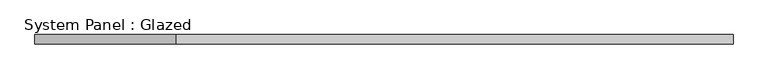
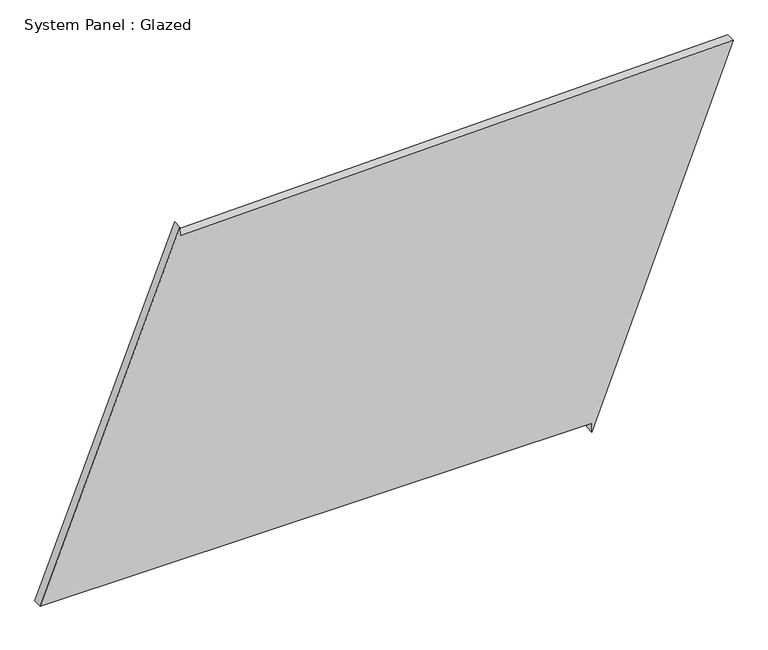
"""IFC4 building model written with IfcOpenShell, lengths in millimetres: plate geometry, System Panel : Glazed."""

import ifcopenshell
import ifcopenshell.guid

model = None  # the IFC model being written
_history = None  # IfcOwnerHistory: only IFC2X3 demands one
_inside = {}  # id of a spatial element -> (the spatial element, [elements in it])
_under = {}  # id of a project, library or spatial element -> (it, [spatial elements below it])
_declared = {}  # id of a project -> (the project, [libraries it declares])
_typed = {}  # id of a type object -> (the type object, [elements of that type])
_made_of = {}  # id of a material, layer set ... -> (it, [elements and type objects made of it])


def new_model(schema):
    """Start an empty IFC model of exactly this schema.

    Asked for "IFC4X3", IfcOpenShell would pick the latest addendum, in which some entities
    have other attributes; the version numbers below select the first issue.
    IFC2X3 requires an IfcOwnerHistory on every rooted entity: one is made here for all.
    """
    global model, _history
    if schema == "IFC4X3":
        model = ifcopenshell.file(schema_version=(4, 3, 0, 0))
    else:
        model = ifcopenshell.file(schema=schema)
    _inside.clear()
    _under.clear()
    _declared.clear()
    _typed.clear()
    _made_of.clear()
    _history = None
    if model.schema == "IFC2X3":
        org = make("IfcOrganization", Name="unknown")
        user = make(
            "IfcPersonAndOrganization",
            ThePerson=make("IfcPerson", FamilyName="unknown"),
            TheOrganization=org,
        )
        app = make(
            "IfcApplication",
            ApplicationDeveloper=org,
            Version="unknown",
            ApplicationFullName="unknown",
            ApplicationIdentifier="unknown",
        )
        _history = make(
            "IfcOwnerHistory",
            OwningUser=user,
            OwningApplication=app,
            ChangeAction="ADDED",
            CreationDate=0,
        )
    return model


def make(cls, **values):
    """One entity of the class cls with the attributes given. An attribute that is None is left unset."""
    return model.create_entity(
        cls, **{name: value for name, value in values.items() if value is not None}
    )


def rooted(cls, **values):
    """An entity with a GlobalId (a new one), such as an element, a storey or a relation."""
    return make(cls, GlobalId=ifcopenshell.guid.new(), OwnerHistory=_history, **values)


def si_unit(unit_type, name, prefix=None):
    """IfcSIUnit, for example si_unit("LENGTHUNIT", "METRE", prefix="MILLI")."""
    return make("IfcSIUnit", UnitType=unit_type, Prefix=prefix, Name=name)


def assignment(units):
    """IfcUnitAssignment: the units of a project."""
    return None if units is None else make("IfcUnitAssignment", Units=units)


def point(xyz):
    """IfcCartesianPoint."""
    return None if xyz is None else make("IfcCartesianPoint", Coordinates=xyz)


def direction(xyz):
    """IfcDirection."""
    return None if xyz is None else make("IfcDirection", DirectionRatios=xyz)


def frame(location, z_axis=None, x_axis=None):
    """IfcAxis2Placement3D, a coordinate frame: its origin and axes. An axis left out is left unset."""
    return make(
        "IfcAxis2Placement3D",
        Location=point(location),
        Axis=direction(z_axis),
        RefDirection=direction(x_axis),
    )


def origin():
    """The frame at (0, 0, 0) with its axes left unset."""
    return frame((0.0, 0.0, 0.0))


def place(relative_to, where):
    """IfcLocalPlacement: puts the frame where relative to a parent placement (None: the world)."""
    return make(
        "IfcLocalPlacement", PlacementRelTo=relative_to, RelativePlacement=where
    )


def context(
    kind, dimensions, precision=None, world=None, true_north=None, identifier=None
):
    """IfcGeometricRepresentationContext, for example the 3D "Model" context."""
    return make(
        "IfcGeometricRepresentationContext",
        ContextIdentifier=identifier,
        ContextType=kind,
        CoordinateSpaceDimension=dimensions,
        Precision=precision,
        WorldCoordinateSystem=world,
        TrueNorth=true_north,
    )


def project(units=None, contexts=None):
    """IfcProject with its units and contexts."""
    return rooted(
        "IfcProject",
        Name="project",
        RepresentationContexts=contexts,
        UnitsInContext=assignment(units),
    )


def spatial(cls, under=None, at=None, **own):
    """A site, building, storey or space (cls), placed at a placement, below another one or the project."""
    s = rooted(cls, ObjectPlacement=at, **own)
    if under is not None:
        _under.setdefault(under.id(), (under, []))[1].append(s)
    return s


def polyline(points):
    """IfcPolyline through the points."""
    return make("IfcPolyline", Points=[point(p) for p in points])


def outline(outer, holes=None, kind="AREA"):
    """IfcArbitraryClosedProfileDef: a profile drawn as a closed curve; with holes, ...WithVoids."""
    if holes is None:
        return make("IfcArbitraryClosedProfileDef", ProfileType=kind, OuterCurve=outer)
    return make(
        "IfcArbitraryProfileDefWithVoids",
        ProfileType=kind,
        OuterCurve=outer,
        InnerCurves=holes,
    )


def extrude(swept, where, along, depth):
    """IfcExtrudedAreaSolid: the profile swept, set in the frame where, extruded along a direction by depth."""
    return make(
        "IfcExtrudedAreaSolid",
        SweptArea=swept,
        Position=where,
        ExtrudedDirection=direction(along),
        Depth=depth,
    )


def shape(context_of_items, identifier, shape_type, items):
    """IfcShapeRepresentation: the items that make up one representation, for example the "Body"."""
    return make(
        "IfcShapeRepresentation",
        ContextOfItems=context_of_items,
        RepresentationIdentifier=identifier,
        RepresentationType=shape_type,
        Items=items,
    )


def source(mapping_origin, context_of_items, identifier, shape_type, items):
    """IfcRepresentationMap: a shape defined once, which mapped items show again and again."""
    return make(
        "IfcRepresentationMap",
        MappingOrigin=mapping_origin,
        MappedRepresentation=shape(context_of_items, identifier, shape_type, items),
    )


def transform(
    local_origin,
    x_axis=None,
    y_axis=None,
    z_axis=None,
    scale=None,
    scale2=None,
    scale3=None,
    uniform=True,
):
    """IfcCartesianTransformationOperator3D, or its non-uniform kind. x_axis, y_axis, z_axis: its Axis1, 2, 3."""
    if uniform:
        return make(
            "IfcCartesianTransformationOperator3D",
            Axis1=direction(x_axis),
            Axis2=direction(y_axis),
            LocalOrigin=point(local_origin),
            Scale=scale,
            Axis3=direction(z_axis),
        )
    return make(
        "IfcCartesianTransformationOperator3DnonUniform",
        Axis1=direction(x_axis),
        Axis2=direction(y_axis),
        LocalOrigin=point(local_origin),
        Scale=scale,
        Axis3=direction(z_axis),
        Scale2=scale2,
        Scale3=scale3,
    )


def mapped(mapping_source, mapping_target):
    """IfcMappedItem: shows the shape of a source again, moved by a transform."""
    return make(
        "IfcMappedItem", MappingSource=mapping_source, MappingTarget=mapping_target
    )


def made_of(thing, what):
    """Note that an element or type object is made of a material, layer set ...; save() writes the relation."""
    if what is not None:
        _made_of.setdefault(what.id(), (what, []))[1].append(thing)
    return thing


def element(
    cls,
    number,
    at=None,
    inside=None,
    cuts=None,
    type_object=None,
    material=None,
    context=None,
    identifier="Body",
    shape_type=None,
    held_by="IfcProductDefinitionShape",
    body=None,
    shapes=None,
    **own,
):
    """One element of the class cls, such as IfcWall. Its Tag is "e" and its number.

    at: its placement. inside: the storey or other place that contains it. cuts: it is an
    opening in that element (IfcRelVoidsElement). A single representation is given by context,
    identifier, shape_type and body (its items); several are given by shapes. held_by: the class
    of the entity that holds the representations. save() writes the other relations.
    """
    e = rooted(cls, Tag="e%d" % number, ObjectPlacement=at, **own)
    if body is not None:
        shapes = [shape(context, identifier, shape_type, body)]
    if shapes is not None:
        e.Representation = make(held_by, Representations=shapes)
    if inside is not None:
        _inside.setdefault(inside.id(), (inside, []))[1].append(e)
    if cuts is not None:
        rooted(
            "IfcRelVoidsElement", RelatingBuildingElement=cuts, RelatedOpeningElement=e
        )
    if type_object is not None:
        _typed.setdefault(type_object.id(), (type_object, []))[1].append(e)
    return made_of(e, material)


def aggregate(whole, parts):
    """IfcRelAggregates: a whole, such as a stair, and the parts it consists of."""
    return rooted("IfcRelAggregates", RelatingObject=whole, RelatedObjects=parts)


def save(model, path):
    """Write the relations noted so far, then the file.

    IfcRelAggregates (storeys below a building ...), IfcRelContainedInSpatialStructure (elements
    in a storey), IfcRelDefinesByType, IfcRelAssociatesMaterial and IfcRelDeclares: one each for
    every whole, place, type object, material and project.
    """
    for whole, parts in _under.values():
        aggregate(whole, parts)
    for where, things in _inside.values():
        rooted(
            "IfcRelContainedInSpatialStructure",
            RelatedElements=things,
            RelatingStructure=where,
        )
    for kind, things in _typed.values():
        rooted("IfcRelDefinesByType", RelatedObjects=things, RelatingType=kind)
    for what, things in _made_of.values():
        rooted("IfcRelAssociatesMaterial", RelatedObjects=things, RelatingMaterial=what)
    for by, libraries in _declared.values():
        rooted("IfcRelDeclares", RelatingContext=by, RelatedDefinitions=libraries)
    model.write(path)


def system_panel_glazed_e77e14f9(model_context):
    return source(origin(), model_context, "Body", "SweptSolid", [
        extrude(outline(polyline([(25.0, 551.8556889), (0.0, 551.8556889), (980.8727966, 931.0900763), (945.4649686, -555.2391493), (970.4578778, -555.8345386), (25.0, -931.0900763), (25.0, 551.8556889)])), frame((0.0, -49.5, 0.0), z_axis=(0.0, 1.0, 0.0), x_axis=(0.0, 0.0, 1.0)), (0.0, 0.0, 1.0), 25.0),
    ])


if __name__ == "__main__":
    model = new_model("IFC4")
    model_context = context("Model", 3, world=origin())
    ifc_project = project(units=[si_unit("LENGTHUNIT", "METRE", prefix="MILLI")], contexts=[model_context])
    site = spatial("IfcSite", under=ifc_project)
    building = spatial("IfcBuilding", under=site)
    placement = place(None, origin())
    system_panel_glazed_shape = system_panel_glazed_e77e14f9(model_context)
    element("IfcPlate", 1, ObjectType="System Panel : Glazed", at=placement, inside=building, context=model_context, shape_type="MappedRepresentation", body=[
        mapped(system_panel_glazed_shape, transform((0.0, 0.0, 0.0), x_axis=(1.0, 0.0, 0.0), y_axis=(0.0, 1.0, 0.0), z_axis=(0.0, 0.0, 1.0))),
    ])
    save(model, "model.ifc")
